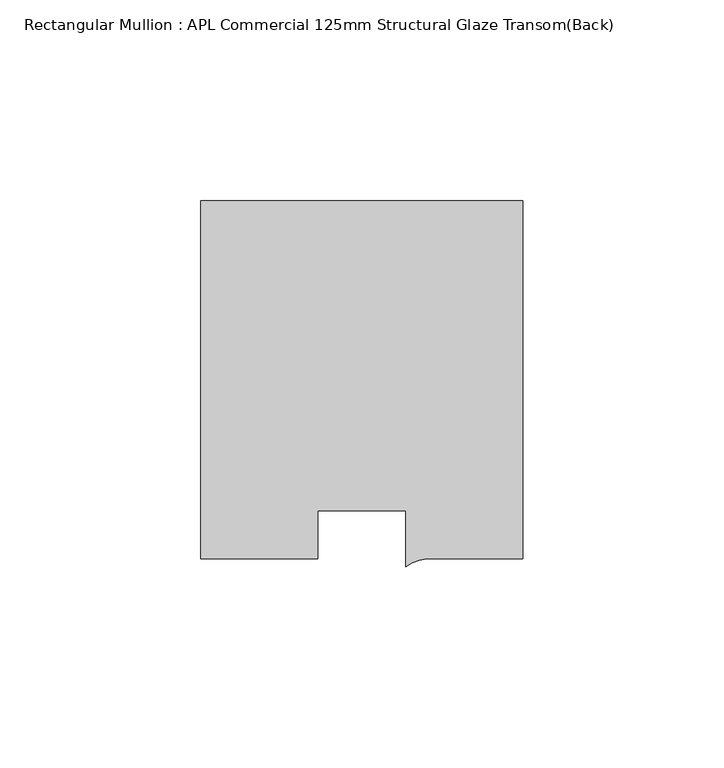
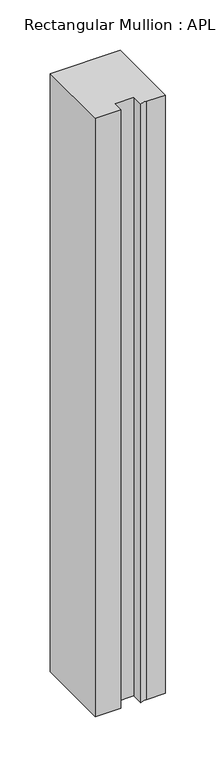
"""IFC4 building model written with IfcOpenShell, lengths in millimetres: member geometry, Rectangular Mullion : APL Commercial 125mm Structural Glaze Transom(Back)."""

import ifcopenshell
import ifcopenshell.guid

model = None  # the IFC model being written
_history = None  # IfcOwnerHistory: only IFC2X3 demands one
_inside = {}  # id of a spatial element -> (the spatial element, [elements in it])
_under = {}  # id of a project, library or spatial element -> (it, [spatial elements below it])
_declared = {}  # id of a project -> (the project, [libraries it declares])
_typed = {}  # id of a type object -> (the type object, [elements of that type])
_made_of = {}  # id of a material, layer set ... -> (it, [elements and type objects made of it])


def new_model(schema):
    """Start an empty IFC model of exactly this schema.

    Asked for "IFC4X3", IfcOpenShell would pick the latest addendum, in which some entities
    have other attributes; the version numbers below select the first issue.
    IFC2X3 requires an IfcOwnerHistory on every rooted entity: one is made here for all.
    """
    global model, _history
    if schema == "IFC4X3":
        model = ifcopenshell.file(schema_version=(4, 3, 0, 0))
    else:
        model = ifcopenshell.file(schema=schema)
    _inside.clear()
    _under.clear()
    _declared.clear()
    _typed.clear()
    _made_of.clear()
    _history = None
    if model.schema == "IFC2X3":
        org = make("IfcOrganization", Name="unknown")
        user = make(
            "IfcPersonAndOrganization",
            ThePerson=make("IfcPerson", FamilyName="unknown"),
            TheOrganization=org,
        )
        app = make(
            "IfcApplication",
            ApplicationDeveloper=org,
            Version="unknown",
            ApplicationFullName="unknown",
            ApplicationIdentifier="unknown",
        )
        _history = make(
            "IfcOwnerHistory",
            OwningUser=user,
            OwningApplication=app,
            ChangeAction="ADDED",
            CreationDate=0,
        )
    return model


def make(cls, **values):
    """One entity of the class cls with the attributes given. An attribute that is None is left unset."""
    return model.create_entity(
        cls, **{name: value for name, value in values.items() if value is not None}
    )


def rooted(cls, **values):
    """An entity with a GlobalId (a new one), such as an element, a storey or a relation."""
    return make(cls, GlobalId=ifcopenshell.guid.new(), OwnerHistory=_history, **values)


def si_unit(unit_type, name, prefix=None):
    """IfcSIUnit, for example si_unit("LENGTHUNIT", "METRE", prefix="MILLI")."""
    return make("IfcSIUnit", UnitType=unit_type, Prefix=prefix, Name=name)


def assignment(units):
    """IfcUnitAssignment: the units of a project."""
    return None if units is None else make("IfcUnitAssignment", Units=units)


def point(xyz):
    """IfcCartesianPoint."""
    return None if xyz is None else make("IfcCartesianPoint", Coordinates=xyz)


def direction(xyz):
    """IfcDirection."""
    return None if xyz is None else make("IfcDirection", DirectionRatios=xyz)


def frame(location, z_axis=None, x_axis=None):
    """IfcAxis2Placement3D, a coordinate frame: its origin and axes. An axis left out is left unset."""
    return make(
        "IfcAxis2Placement3D",
        Location=point(location),
        Axis=direction(z_axis),
        RefDirection=direction(x_axis),
    )


def frame_2d(location, x_axis=None):
    """IfcAxis2Placement2D, a coordinate frame in the plane: its origin and x axis."""
    return make(
        "IfcAxis2Placement2D", Location=point(location), RefDirection=direction(x_axis)
    )


def origin():
    """The frame at (0, 0, 0) with its axes left unset."""
    return frame((0.0, 0.0, 0.0))


def place(relative_to, where):
    """IfcLocalPlacement: puts the frame where relative to a parent placement (None: the world)."""
    return make(
        "IfcLocalPlacement", PlacementRelTo=relative_to, RelativePlacement=where
    )


def context(
    kind, dimensions, precision=None, world=None, true_north=None, identifier=None
):
    """IfcGeometricRepresentationContext, for example the 3D "Model" context."""
    return make(
        "IfcGeometricRepresentationContext",
        ContextIdentifier=identifier,
        ContextType=kind,
        CoordinateSpaceDimension=dimensions,
        Precision=precision,
        WorldCoordinateSystem=world,
        TrueNorth=true_north,
    )


def project(units=None, contexts=None):
    """IfcProject with its units and contexts."""
    return rooted(
        "IfcProject",
        Name="project",
        RepresentationContexts=contexts,
        UnitsInContext=assignment(units),
    )


def spatial(cls, under=None, at=None, **own):
    """A site, building, storey or space (cls), placed at a placement, below another one or the project."""
    s = rooted(cls, ObjectPlacement=at, **own)
    if under is not None:
        _under.setdefault(under.id(), (under, []))[1].append(s)
    return s


def polyline(points):
    """IfcPolyline through the points."""
    return make("IfcPolyline", Points=[point(p) for p in points])


def circle_curve(where, radius):
    """IfcCircle in the frame where."""
    return make("IfcCircle", Position=where, Radius=radius)


def trimmed(basis, trim1, trim2, sense, master):
    """IfcTrimmedCurve: the piece of a basis curve between two trims."""
    return make(
        "IfcTrimmedCurve",
        BasisCurve=basis,
        Trim1=trim1,
        Trim2=trim2,
        SenseAgreement=sense,
        MasterRepresentation=master,
    )


def segment(curve, same_sense, transition):
    """IfcCompositeCurveSegment."""
    return make(
        "IfcCompositeCurveSegment",
        Transition=transition,
        SameSense=same_sense,
        ParentCurve=curve,
    )


def composite_curve(segments, self_intersect=None):
    """IfcCompositeCurve: segments joined end to end."""
    return make("IfcCompositeCurve", Segments=segments, SelfIntersect=self_intersect)


def outline(outer, holes=None, kind="AREA"):
    """IfcArbitraryClosedProfileDef: a profile drawn as a closed curve; with holes, ...WithVoids."""
    if holes is None:
        return make("IfcArbitraryClosedProfileDef", ProfileType=kind, OuterCurve=outer)
    return make(
        "IfcArbitraryProfileDefWithVoids",
        ProfileType=kind,
        OuterCurve=outer,
        InnerCurves=holes,
    )


def extrude(swept, where, along, depth):
    """IfcExtrudedAreaSolid: the profile swept, set in the frame where, extruded along a direction by depth."""
    return make(
        "IfcExtrudedAreaSolid",
        SweptArea=swept,
        Position=where,
        ExtrudedDirection=direction(along),
        Depth=depth,
    )


def shape(context_of_items, identifier, shape_type, items):
    """IfcShapeRepresentation: the items that make up one representation, for example the "Body"."""
    return make(
        "IfcShapeRepresentation",
        ContextOfItems=context_of_items,
        RepresentationIdentifier=identifier,
        RepresentationType=shape_type,
        Items=items,
    )


def source(mapping_origin, context_of_items, identifier, shape_type, items):
    """IfcRepresentationMap: a shape defined once, which mapped items show again and again."""
    return make(
        "IfcRepresentationMap",
        MappingOrigin=mapping_origin,
        MappedRepresentation=shape(context_of_items, identifier, shape_type, items),
    )


def transform(
    local_origin,
    x_axis=None,
    y_axis=None,
    z_axis=None,
    scale=None,
    scale2=None,
    scale3=None,
    uniform=True,
):
    """IfcCartesianTransformationOperator3D, or its non-uniform kind. x_axis, y_axis, z_axis: its Axis1, 2, 3."""
    if uniform:
        return make(
            "IfcCartesianTransformationOperator3D",
            Axis1=direction(x_axis),
            Axis2=direction(y_axis),
            LocalOrigin=point(local_origin),
            Scale=scale,
            Axis3=direction(z_axis),
        )
    return make(
        "IfcCartesianTransformationOperator3DnonUniform",
        Axis1=direction(x_axis),
        Axis2=direction(y_axis),
        LocalOrigin=point(local_origin),
        Scale=scale,
        Axis3=direction(z_axis),
        Scale2=scale2,
        Scale3=scale3,
    )


def mapped(mapping_source, mapping_target):
    """IfcMappedItem: shows the shape of a source again, moved by a transform."""
    return make(
        "IfcMappedItem", MappingSource=mapping_source, MappingTarget=mapping_target
    )


def made_of(thing, what):
    """Note that an element or type object is made of a material, layer set ...; save() writes the relation."""
    if what is not None:
        _made_of.setdefault(what.id(), (what, []))[1].append(thing)
    return thing


def element(
    cls,
    number,
    at=None,
    inside=None,
    cuts=None,
    type_object=None,
    material=None,
    context=None,
    identifier="Body",
    shape_type=None,
    held_by="IfcProductDefinitionShape",
    body=None,
    shapes=None,
    **own,
):
    """One element of the class cls, such as IfcWall. Its Tag is "e" and its number.

    at: its placement. inside: the storey or other place that contains it. cuts: it is an
    opening in that element (IfcRelVoidsElement). A single representation is given by context,
    identifier, shape_type and body (its items); several are given by shapes. held_by: the class
    of the entity that holds the representations. save() writes the other relations.
    """
    e = rooted(cls, Tag="e%d" % number, ObjectPlacement=at, **own)
    if body is not None:
        shapes = [shape(context, identifier, shape_type, body)]
    if shapes is not None:
        e.Representation = make(held_by, Representations=shapes)
    if inside is not None:
        _inside.setdefault(inside.id(), (inside, []))[1].append(e)
    if cuts is not None:
        rooted(
            "IfcRelVoidsElement", RelatingBuildingElement=cuts, RelatedOpeningElement=e
        )
    if type_object is not None:
        _typed.setdefault(type_object.id(), (type_object, []))[1].append(e)
    return made_of(e, material)


def aggregate(whole, parts):
    """IfcRelAggregates: a whole, such as a stair, and the parts it consists of."""
    return rooted("IfcRelAggregates", RelatingObject=whole, RelatedObjects=parts)


def save(model, path):
    """Write the relations noted so far, then the file.

    IfcRelAggregates (storeys below a building ...), IfcRelContainedInSpatialStructure (elements
    in a storey), IfcRelDefinesByType, IfcRelAssociatesMaterial and IfcRelDeclares: one each for
    every whole, place, type object, material and project.
    """
    for whole, parts in _under.values():
        aggregate(whole, parts)
    for where, things in _inside.values():
        rooted(
            "IfcRelContainedInSpatialStructure",
            RelatedElements=things,
            RelatingStructure=where,
        )
    for kind, things in _typed.values():
        rooted("IfcRelDefinesByType", RelatedObjects=things, RelatingType=kind)
    for what, things in _made_of.values():
        rooted("IfcRelAssociatesMaterial", RelatedObjects=things, RelatingMaterial=what)
    for by, libraries in _declared.values():
        rooted("IfcRelDeclares", RelatingContext=by, RelatedDefinitions=libraries)
    model.write(path)


def rectangular_mullion_apl_commercial_125mm_structural_glaze_5e28840d(model_context):
    return source(origin(), model_context, "Body", "SweptSolid", [
        extrude(outline(composite_curve([segment(polyline([(40.0, 104.0), (40.0, 15.0000829), (17.9999542, 15.0000829)]), True, "CONTINUOUS"), segment(trimmed(circle_curve(frame_2d((17.1097719, 4.581653)), 10.4563907), [point((17.9999542, 15.0000829))], [point((11.0000151, 13.0673455))], True, "CARTESIAN"), True, "CONTINUOUS"), segment(polyline([(11.0000151, 13.0673455), (11.0000151, 27.0), (-11.0000151, 27.0), (-11.0000151, 15.0000829), (-40.0, 15.0000829), (-40.0, 104.0), (40.0, 104.0)]), True, "CONTINUOUS")], self_intersect=False)), frame((0.0, 0.0, -724.000019), z_axis=(0.0, 0.0, 1.0), x_axis=(1.0, 0.0, 0.0)), (0.0, 0.0, 1.0), 724.000019),
    ])


if __name__ == "__main__":
    model = new_model("IFC4")
    model_context = context("Model", 3, world=origin())
    ifc_project = project(units=[si_unit("LENGTHUNIT", "METRE", prefix="MILLI")], contexts=[model_context])
    site = spatial("IfcSite", under=ifc_project)
    building = spatial("IfcBuilding", under=site)
    placement = place(None, origin())
    rectangular_mullion_apl_commercial_125mm_structural_glaze_shape = rectangular_mullion_apl_commercial_125mm_structural_glaze_5e28840d(model_context)
    element("IfcMember", 1, ObjectType="Rectangular Mullion : APL Commercial 125mm Structural Glaze Transom(Back)", at=placement, inside=building, context=model_context, shape_type="MappedRepresentation", body=[
        mapped(rectangular_mullion_apl_commercial_125mm_structural_glaze_shape, transform((0.0, 0.0, 0.0), x_axis=(1.0, 0.0, 0.0), y_axis=(0.0, 1.0, 0.0), z_axis=(0.0, 0.0, 1.0))),
    ])
    save(model, "model.ifc")
